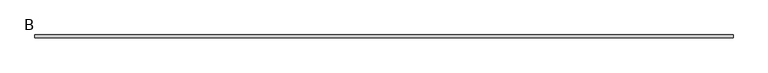
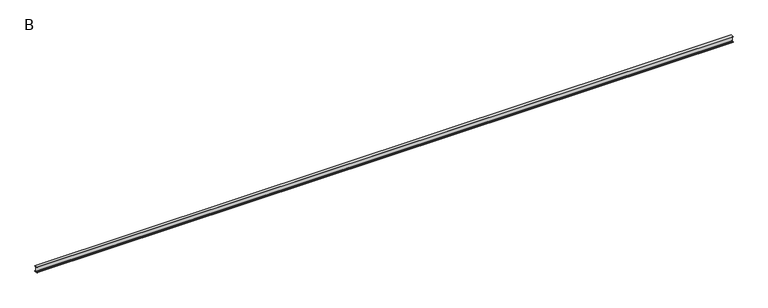
"""IFC4 building model written with IfcOpenShell, lengths in millimetres: beam geometry, B."""

from ifc_helpers import new_model, si_unit, point, frame, frame_2d, origin, place, context, project, spatial, polyline, circle_curve, trimmed, segment, composite_curve, outline, extrude, source, transform, mapped, element, save


def b_522f568f(model_context):
    return source(origin(), model_context, "Body", "SweptSolid", [
        extrude(outline(composite_curve([segment(polyline([(25.0, 50.0), (25.0, 48.5034153)]), True, "CONTINUOUS"), segment(trimmed(circle_curve(frame_2d((20.5, 48.5034153)), 4.5), [point((25.0, 48.5034153))], [point((21.126279, 44.047209))], False, "CARTESIAN"), True, "CONTINUOUS"), segment(polyline([(21.126279, 44.047209), (10.0974421, 42.497207)]), True, "CONTINUOUS"), segment(trimmed(circle_curve(frame_2d((11.35, 33.5847944)), 9.0), [point((10.0974421, 42.497207))], [point((2.35, 33.5847944))], True, "CARTESIAN"), True, "CONTINUOUS"), segment(polyline([(2.35, 33.5847944), (2.35, -33.5847944)]), True, "CONTINUOUS"), segment(trimmed(circle_curve(frame_2d((11.35, -33.5847944)), 9.0), [point((2.35, -33.5847944))], [point((10.0974421, -42.497207))], True, "CARTESIAN"), True, "CONTINUOUS"), segment(polyline([(10.0974421, -42.497207), (21.126279, -44.047209)]), True, "CONTINUOUS"), segment(trimmed(circle_curve(frame_2d((20.5, -48.5034153)), 4.5), [point((21.126279, -44.047209))], [point((25.0, -48.5034153))], False, "CARTESIAN"), True, "CONTINUOUS"), segment(polyline([(25.0, -48.5034153), (25.0, -50.0), (-25.0, -50.0), (-25.0, -48.5034153)]), True, "CONTINUOUS"), segment(trimmed(circle_curve(frame_2d((-20.5, -48.5034153)), 4.5), [point((-25.0, -48.5034153))], [point((-21.126279, -44.047209))], False, "CARTESIAN"), True, "CONTINUOUS"), segment(polyline([(-21.126279, -44.047209), (-10.0974421, -42.497207)]), True, "CONTINUOUS"), segment(trimmed(circle_curve(frame_2d((-11.35, -33.5847944)), 9.0), [point((-10.0974421, -42.497207))], [point((-2.35, -33.5847944))], True, "CARTESIAN"), True, "CONTINUOUS"), segment(polyline([(-2.35, -33.5847944), (-2.35, 33.5847944)]), True, "CONTINUOUS"), segment(trimmed(circle_curve(frame_2d((-11.35, 33.5847944)), 9.0), [point((-2.35, 33.5847944))], [point((-10.0974421, 42.497207))], True, "CARTESIAN"), True, "CONTINUOUS"), segment(polyline([(-10.0974421, 42.497207), (-21.126279, 44.047209)]), True, "CONTINUOUS"), segment(trimmed(circle_curve(frame_2d((-20.5, 48.5034153)), 4.5), [point((-21.126279, 44.047209))], [point((-25.0, 48.5034153))], False, "CARTESIAN"), True, "CONTINUOUS"), segment(polyline([(-25.0, 48.5034153), (-25.0, 50.0), (25.0, 50.0)]), True, "CONTINUOUS")], self_intersect=False)), frame((-5778.05, 0.0, 0.0), z_axis=(1.0, 0.0, 0.0), x_axis=(0.0, 1.0, 0.0)), (0.0, 0.0, 1.0), 11618.0),
    ])


if __name__ == "__main__":
    model = new_model("IFC4")
    model_context = context("Model", 3, world=origin())
    ifc_project = project(units=[si_unit("LENGTHUNIT", "METRE", prefix="MILLI")], contexts=[model_context])
    site = spatial("IfcSite", under=ifc_project)
    building = spatial("IfcBuilding", under=site)
    placement = place(None, origin())
    b_shape = b_522f568f(model_context)
    element("IfcBeam", 1, ObjectType="B", at=placement, inside=building, context=model_context, shape_type="MappedRepresentation", body=[
        mapped(b_shape, transform((0.0, 0.0, 0.0), x_axis=(1.0, 0.0, 0.0), y_axis=(0.0, 1.0, 0.0), z_axis=(0.0, 0.0, 1.0))),
    ])
    save(model, "model.ifc")
